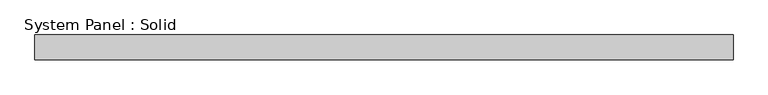
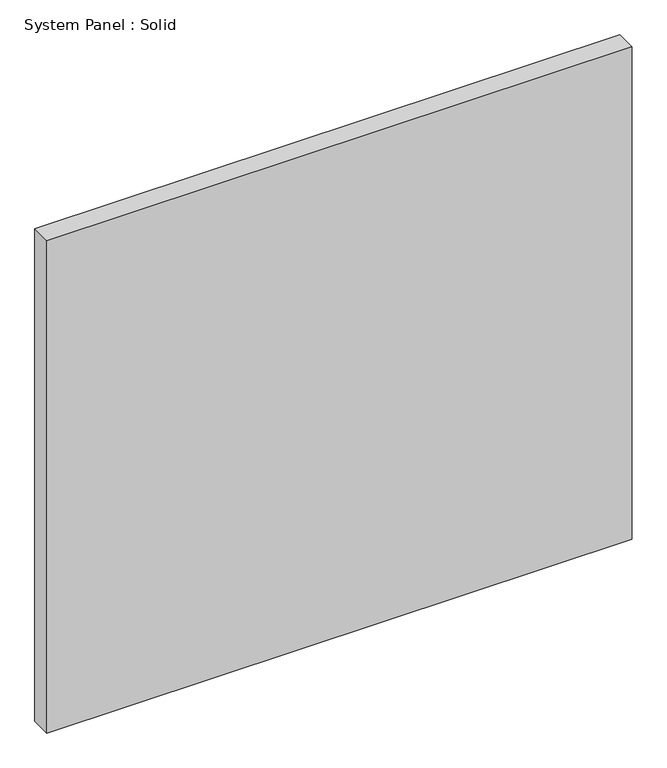
"""IFC4 building model written with IfcOpenShell, lengths in millimetres: plate geometry, System Panel : Solid."""

import ifcopenshell
import ifcopenshell.guid

model = None  # the IFC model being written
_history = None  # IfcOwnerHistory: only IFC2X3 demands one
_inside = {}  # id of a spatial element -> (the spatial element, [elements in it])
_under = {}  # id of a project, library or spatial element -> (it, [spatial elements below it])
_declared = {}  # id of a project -> (the project, [libraries it declares])
_typed = {}  # id of a type object -> (the type object, [elements of that type])
_made_of = {}  # id of a material, layer set ... -> (it, [elements and type objects made of it])


def new_model(schema):
    """Start an empty IFC model of exactly this schema.

    Asked for "IFC4X3", IfcOpenShell would pick the latest addendum, in which some entities
    have other attributes; the version numbers below select the first issue.
    IFC2X3 requires an IfcOwnerHistory on every rooted entity: one is made here for all.
    """
    global model, _history
    if schema == "IFC4X3":
        model = ifcopenshell.file(schema_version=(4, 3, 0, 0))
    else:
        model = ifcopenshell.file(schema=schema)
    _inside.clear()
    _under.clear()
    _declared.clear()
    _typed.clear()
    _made_of.clear()
    _history = None
    if model.schema == "IFC2X3":
        org = make("IfcOrganization", Name="unknown")
        user = make(
            "IfcPersonAndOrganization",
            ThePerson=make("IfcPerson", FamilyName="unknown"),
            TheOrganization=org,
        )
        app = make(
            "IfcApplication",
            ApplicationDeveloper=org,
            Version="unknown",
            ApplicationFullName="unknown",
            ApplicationIdentifier="unknown",
        )
        _history = make(
            "IfcOwnerHistory",
            OwningUser=user,
            OwningApplication=app,
            ChangeAction="ADDED",
            CreationDate=0,
        )
    return model


def make(cls, **values):
    """One entity of the class cls with the attributes given. An attribute that is None is left unset."""
    return model.create_entity(
        cls, **{name: value for name, value in values.items() if value is not None}
    )


def rooted(cls, **values):
    """An entity with a GlobalId (a new one), such as an element, a storey or a relation."""
    return make(cls, GlobalId=ifcopenshell.guid.new(), OwnerHistory=_history, **values)


def si_unit(unit_type, name, prefix=None):
    """IfcSIUnit, for example si_unit("LENGTHUNIT", "METRE", prefix="MILLI")."""
    return make("IfcSIUnit", UnitType=unit_type, Prefix=prefix, Name=name)


def assignment(units):
    """IfcUnitAssignment: the units of a project."""
    return None if units is None else make("IfcUnitAssignment", Units=units)


def point(xyz):
    """IfcCartesianPoint."""
    return None if xyz is None else make("IfcCartesianPoint", Coordinates=xyz)


def direction(xyz):
    """IfcDirection."""
    return None if xyz is None else make("IfcDirection", DirectionRatios=xyz)


def frame(location, z_axis=None, x_axis=None):
    """IfcAxis2Placement3D, a coordinate frame: its origin and axes. An axis left out is left unset."""
    return make(
        "IfcAxis2Placement3D",
        Location=point(location),
        Axis=direction(z_axis),
        RefDirection=direction(x_axis),
    )


def origin():
    """The frame at (0, 0, 0) with its axes left unset."""
    return frame((0.0, 0.0, 0.0))


def origin_with_axes():
    """The frame at (0, 0, 0) with the z axis (0, 0, 1) and the x axis (1, 0, 0) written out."""
    return frame((0.0, 0.0, 0.0), z_axis=(0.0, 0.0, 1.0), x_axis=(1.0, 0.0, 0.0))


def place(relative_to, where):
    """IfcLocalPlacement: puts the frame where relative to a parent placement (None: the world)."""
    return make(
        "IfcLocalPlacement", PlacementRelTo=relative_to, RelativePlacement=where
    )


def context(
    kind, dimensions, precision=None, world=None, true_north=None, identifier=None
):
    """IfcGeometricRepresentationContext, for example the 3D "Model" context."""
    return make(
        "IfcGeometricRepresentationContext",
        ContextIdentifier=identifier,
        ContextType=kind,
        CoordinateSpaceDimension=dimensions,
        Precision=precision,
        WorldCoordinateSystem=world,
        TrueNorth=true_north,
    )


def project(units=None, contexts=None):
    """IfcProject with its units and contexts."""
    return rooted(
        "IfcProject",
        Name="project",
        RepresentationContexts=contexts,
        UnitsInContext=assignment(units),
    )


def spatial(cls, under=None, at=None, **own):
    """A site, building, storey or space (cls), placed at a placement, below another one or the project."""
    s = rooted(cls, ObjectPlacement=at, **own)
    if under is not None:
        _under.setdefault(under.id(), (under, []))[1].append(s)
    return s


def polyline(points):
    """IfcPolyline through the points."""
    return make("IfcPolyline", Points=[point(p) for p in points])


def outline(outer, holes=None, kind="AREA"):
    """IfcArbitraryClosedProfileDef: a profile drawn as a closed curve; with holes, ...WithVoids."""
    if holes is None:
        return make("IfcArbitraryClosedProfileDef", ProfileType=kind, OuterCurve=outer)
    return make(
        "IfcArbitraryProfileDefWithVoids",
        ProfileType=kind,
        OuterCurve=outer,
        InnerCurves=holes,
    )


def extrude(swept, where, along, depth):
    """IfcExtrudedAreaSolid: the profile swept, set in the frame where, extruded along a direction by depth."""
    return make(
        "IfcExtrudedAreaSolid",
        SweptArea=swept,
        Position=where,
        ExtrudedDirection=direction(along),
        Depth=depth,
    )


def shape(context_of_items, identifier, shape_type, items):
    """IfcShapeRepresentation: the items that make up one representation, for example the "Body"."""
    return make(
        "IfcShapeRepresentation",
        ContextOfItems=context_of_items,
        RepresentationIdentifier=identifier,
        RepresentationType=shape_type,
        Items=items,
    )


def source(mapping_origin, context_of_items, identifier, shape_type, items):
    """IfcRepresentationMap: a shape defined once, which mapped items show again and again."""
    return make(
        "IfcRepresentationMap",
        MappingOrigin=mapping_origin,
        MappedRepresentation=shape(context_of_items, identifier, shape_type, items),
    )


def transform(
    local_origin,
    x_axis=None,
    y_axis=None,
    z_axis=None,
    scale=None,
    scale2=None,
    scale3=None,
    uniform=True,
):
    """IfcCartesianTransformationOperator3D, or its non-uniform kind. x_axis, y_axis, z_axis: its Axis1, 2, 3."""
    if uniform:
        return make(
            "IfcCartesianTransformationOperator3D",
            Axis1=direction(x_axis),
            Axis2=direction(y_axis),
            LocalOrigin=point(local_origin),
            Scale=scale,
            Axis3=direction(z_axis),
        )
    return make(
        "IfcCartesianTransformationOperator3DnonUniform",
        Axis1=direction(x_axis),
        Axis2=direction(y_axis),
        LocalOrigin=point(local_origin),
        Scale=scale,
        Axis3=direction(z_axis),
        Scale2=scale2,
        Scale3=scale3,
    )


def mapped(mapping_source, mapping_target):
    """IfcMappedItem: shows the shape of a source again, moved by a transform."""
    return make(
        "IfcMappedItem", MappingSource=mapping_source, MappingTarget=mapping_target
    )


def made_of(thing, what):
    """Note that an element or type object is made of a material, layer set ...; save() writes the relation."""
    if what is not None:
        _made_of.setdefault(what.id(), (what, []))[1].append(thing)
    return thing


def element(
    cls,
    number,
    at=None,
    inside=None,
    cuts=None,
    type_object=None,
    material=None,
    context=None,
    identifier="Body",
    shape_type=None,
    held_by="IfcProductDefinitionShape",
    body=None,
    shapes=None,
    **own,
):
    """One element of the class cls, such as IfcWall. Its Tag is "e" and its number.

    at: its placement. inside: the storey or other place that contains it. cuts: it is an
    opening in that element (IfcRelVoidsElement). A single representation is given by context,
    identifier, shape_type and body (its items); several are given by shapes. held_by: the class
    of the entity that holds the representations. save() writes the other relations.
    """
    e = rooted(cls, Tag="e%d" % number, ObjectPlacement=at, **own)
    if body is not None:
        shapes = [shape(context, identifier, shape_type, body)]
    if shapes is not None:
        e.Representation = make(held_by, Representations=shapes)
    if inside is not None:
        _inside.setdefault(inside.id(), (inside, []))[1].append(e)
    if cuts is not None:
        rooted(
            "IfcRelVoidsElement", RelatingBuildingElement=cuts, RelatedOpeningElement=e
        )
    if type_object is not None:
        _typed.setdefault(type_object.id(), (type_object, []))[1].append(e)
    return made_of(e, material)


def aggregate(whole, parts):
    """IfcRelAggregates: a whole, such as a stair, and the parts it consists of."""
    return rooted("IfcRelAggregates", RelatingObject=whole, RelatedObjects=parts)


def save(model, path):
    """Write the relations noted so far, then the file.

    IfcRelAggregates (storeys below a building ...), IfcRelContainedInSpatialStructure (elements
    in a storey), IfcRelDefinesByType, IfcRelAssociatesMaterial and IfcRelDeclares: one each for
    every whole, place, type object, material and project.
    """
    for whole, parts in _under.values():
        aggregate(whole, parts)
    for where, things in _inside.values():
        rooted(
            "IfcRelContainedInSpatialStructure",
            RelatedElements=things,
            RelatingStructure=where,
        )
    for kind, things in _typed.values():
        rooted("IfcRelDefinesByType", RelatedObjects=things, RelatingType=kind)
    for what, things in _made_of.values():
        rooted("IfcRelAssociatesMaterial", RelatedObjects=things, RelatingMaterial=what)
    for by, libraries in _declared.values():
        rooted("IfcRelDeclares", RelatingContext=by, RelatedDefinitions=libraries)
    model.write(path)


def system_panel_solid_64907a39(model_context):
    return source(origin(), model_context, "Body", "SweptSolid", [
        extrude(outline(polyline([(843.6083829, -10.5), (-843.6083829, -10.5), (-843.6083829, 49.5), (843.6083829, 49.5), (843.6083829, -10.5)])), origin_with_axes(), (0.0, 0.0, 1.0), 1500.0),
    ])


if __name__ == "__main__":
    model = new_model("IFC4")
    model_context = context("Model", 3, world=origin())
    ifc_project = project(units=[si_unit("LENGTHUNIT", "METRE", prefix="MILLI")], contexts=[model_context])
    site = spatial("IfcSite", under=ifc_project)
    building = spatial("IfcBuilding", under=site)
    placement = place(None, origin())
    system_panel_solid_shape = system_panel_solid_64907a39(model_context)
    element("IfcPlate", 1, ObjectType="System Panel : Solid", at=placement, inside=building, context=model_context, shape_type="MappedRepresentation", body=[
        mapped(system_panel_solid_shape, transform((0.0, 0.0, 0.0), x_axis=(1.0, 0.0, 0.0), y_axis=(0.0, 1.0, 0.0), z_axis=(0.0, 0.0, 1.0))),
    ])
    save(model, "model.ifc")
